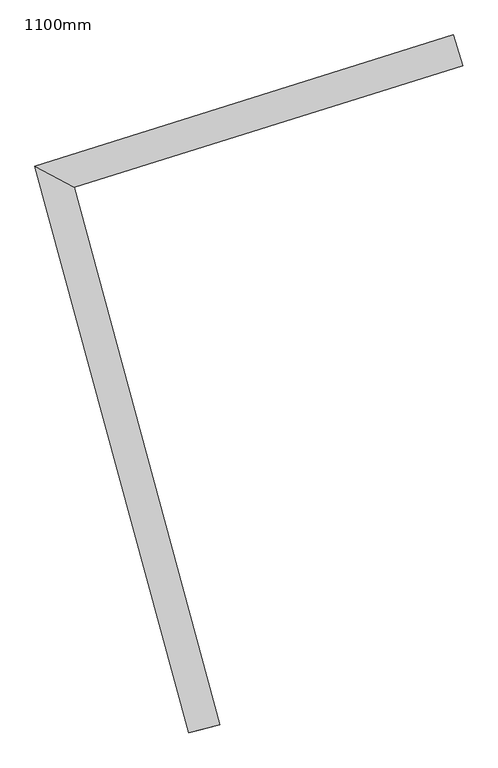
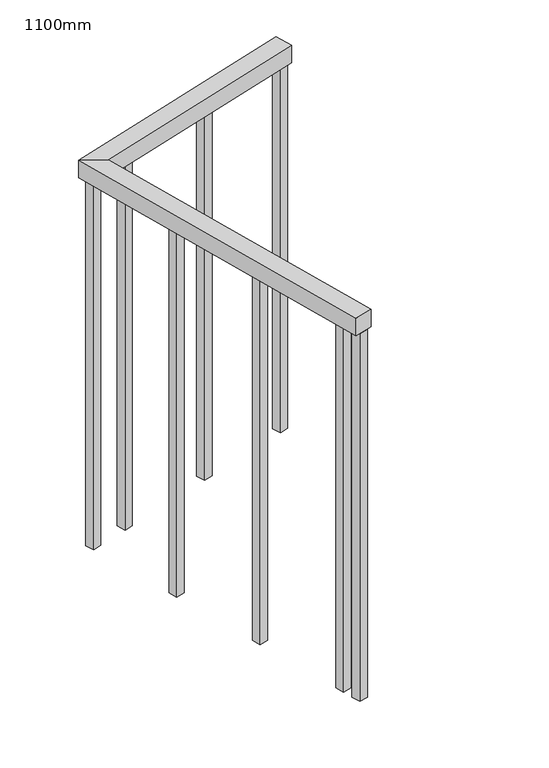
"""IFC4 building model written with IfcOpenShell, lengths in millimetres: railing geometry, 1100mm."""

from ifc_helpers import new_model, si_unit, frame, origin, place, context, project, spatial, polyline, outline, extrude, faceted_brep, source, transform, mapped, element, save


def railing_1100mm_2a5de639(model_context):
    return source(origin(), model_context, "Body", "SolidModel", [
        faceted_brep([(203525.6151865, 43268.8840124, 1700.0), (203525.6151865, 43268.8840124, 1650.0), (203510.6532925, 43316.5929395, 1650.0), (203510.6532925, 43316.5929395, 1700.0), (202859.4095994, 43112.3578062, 1700.0), (202920.2780751, 43079.0455434, 1700.0), (202859.4095994, 43112.3578062, 1650.0), (202920.2780751, 43079.0455434, 1650.0), (203147.574764, 42242.7960837, 1700.0), (203099.3252934, 42229.6816419, 1700.0), (203099.3252934, 42229.6816419, 1650.0), (203147.574764, 42242.7960837, 1650.0)], [[[0, 1, 2, 3]], [[0, 3, 4, 5]], [[3, 2, 6, 4]], [[2, 1, 7, 6]], [[1, 0, 5, 7]], [[8, 9, 10, 11]], [[5, 4, 9, 8]], [[4, 6, 10, 9]], [[6, 7, 11, 10]], [[7, 5, 8, 11]]]),
        extrude(outline(polyline([(203115.015885, 42314.9263877), (203121.5731059, 42290.8016524), (203097.4483706, 42284.2444314), (203090.8911497, 42308.3691667), (203115.015885, 42314.9263877)])), frame((0.0, 0.0, 600.0), z_axis=(0.0, 0.0, 1.0), x_axis=(1.0, 0.0, 0.0)), (0.0, 0.0, 1.0), 1050.0),
        extrude(outline(polyline([(203042.8864548, 42580.2984761), (203049.4436757, 42556.1737408), (203025.3189404, 42549.6165198), (203018.7617195, 42573.7412551), (203042.8864548, 42580.2984761)])), frame((0.0, 0.0, 600.0), z_axis=(0.0, 0.0, 1.0), x_axis=(1.0, 0.0, 0.0)), (0.0, 0.0, 1.0), 1050.0),
        extrude(outline(polyline([(202970.7570246, 42845.6705645), (202977.3142455, 42821.5458292), (202953.1895102, 42814.9886082), (202946.6322893, 42839.1133435), (202970.7570246, 42845.6705645)])), frame((0.0, 0.0, 600.0), z_axis=(0.0, 0.0, 1.0), x_axis=(1.0, 0.0, 0.0)), (0.0, 0.0, 1.0), 1050.0),
        extrude(outline(polyline([(203009.0037463, 43119.9708838), (202985.1492827, 43112.4899368), (202977.6683357, 43136.3444004), (203001.5227993, 43143.8253474), (203009.0037463, 43119.9708838)])), frame((0.0, 0.0, 600.0), z_axis=(0.0, 0.0, 1.0), x_axis=(1.0, 0.0, 0.0)), (0.0, 0.0, 1.0), 1050.0),
        extrude(outline(polyline([(203271.4028455, 43202.2613007), (203247.548382, 43194.7803537), (203240.067435, 43218.6348173), (203263.9218985, 43226.1157643), (203271.4028455, 43202.2613007)])), frame((0.0, 0.0, 600.0), z_axis=(0.0, 0.0, 1.0), x_axis=(1.0, 0.0, 0.0)), (0.0, 0.0, 1.0), 1050.0),
        extrude(outline(polyline([(202905.5115425, 43087.5149165), (202881.657079, 43080.0339695), (202874.176132, 43103.888433), (202898.0305955, 43111.36938), (202905.5115425, 43087.5149165)])), frame((0.0, 0.0, 600.0), z_axis=(0.0, 0.0, 1.0), x_axis=(1.0, 0.0, 0.0)), (0.0, 0.0, 1.0), 1050.0),
        extrude(outline(polyline([(203128.9551754, 42263.6422086), (203135.5123964, 42239.5174732), (203111.3876611, 42232.9602523), (203104.8304401, 42257.0849876), (203128.9551754, 42263.6422086)])), frame((0.0, 0.0, 600.0), z_axis=(0.0, 0.0, 1.0), x_axis=(1.0, 0.0, 0.0)), (0.0, 0.0, 1.0), 1050.0),
        extrude(outline(polyline([(203521.874713, 43280.8112441), (203498.0202494, 43273.3302972), (203490.5393024, 43297.1847607), (203514.393766, 43304.6657077), (203521.874713, 43280.8112441)])), frame((0.0, 0.0, 600.0), z_axis=(0.0, 0.0, 1.0), x_axis=(1.0, 0.0, 0.0)), (0.0, 0.0, 1.0), 1050.0),
    ])


if __name__ == "__main__":
    model = new_model("IFC4")
    model_context = context("Model", 3, world=origin())
    ifc_project = project(units=[si_unit("LENGTHUNIT", "METRE", prefix="MILLI")], contexts=[model_context])
    site = spatial("IfcSite", under=ifc_project)
    building = spatial("IfcBuilding", under=site)
    placement = place(None, origin())
    railing_1100mm_shape = railing_1100mm_2a5de639(model_context)
    element("IfcRailing", 1, ObjectType="1100mm", at=placement, inside=building, context=model_context, shape_type="MappedRepresentation", body=[
        mapped(railing_1100mm_shape, transform((0.0, 0.0, 0.0), x_axis=(1.0, 0.0, 0.0), y_axis=(0.0, 1.0, 0.0), z_axis=(0.0, 0.0, 1.0))),
    ])
    save(model, "model.ifc")
